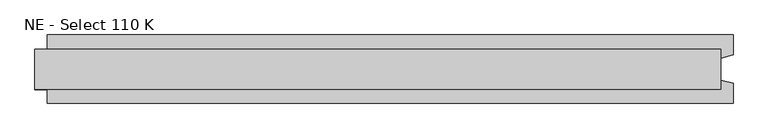
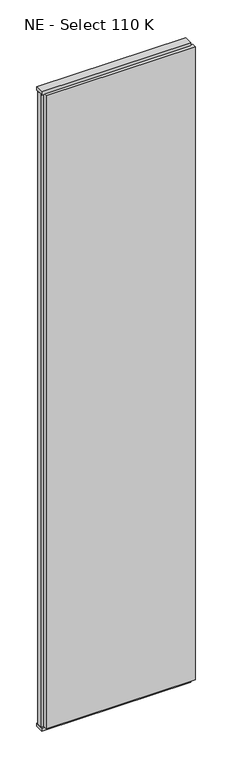
"""IFC4 building model written with IfcOpenShell, lengths in millimetres: plate geometry, NE - Select 110 K."""

from ifc_helpers import new_model, si_unit, frame, origin, origin_with_axes, place, context, project, spatial, polyline, outline, extrude, source, transform, mapped, element, save


def ne_select_110_k_2a667361(model_context):
    return source(origin(), model_context, "Body", "SweptSolid", [
        extrude(outline(polyline([(570.5, 55.0), (570.5, 22.9993165), (550.5, 17.6401049), (550.5, -17.6401049), (570.5, -22.9993165), (570.5, -55.0), (-530.5, -55.0), (-530.5, -22.9993165), (-550.5, -17.6401049), (-550.5, 17.6401049), (-530.5, 22.9993165), (-530.5, 55.0), (570.5, 55.0)])), frame((0.0, 0.0, 25.0), z_axis=(0.0, 0.0, 1.0), x_axis=(1.0, 0.0, 0.0)), (0.0, 0.0, 1.0), 4950.0),
        extrude(outline(polyline([(550.5, 32.0), (550.5, -32.0), (-550.5, -32.0), (-550.5, 32.0), (550.5, 32.0)])), origin_with_axes(), (0.0, 0.0, 1.0), 25.0),
        extrude(outline(polyline([(550.5, 32.0), (550.5, -32.0), (-550.5, -32.0), (-550.5, 32.0), (550.5, 32.0)])), frame((0.0, 0.0, 4975.0), z_axis=(0.0, 0.0, 1.0), x_axis=(1.0, 0.0, 0.0)), (0.0, 0.0, 1.0), 25.0),
    ])


if __name__ == "__main__":
    model = new_model("IFC4")
    model_context = context("Model", 3, world=origin())
    ifc_project = project(units=[si_unit("LENGTHUNIT", "METRE", prefix="MILLI")], contexts=[model_context])
    site = spatial("IfcSite", under=ifc_project)
    building = spatial("IfcBuilding", under=site)
    placement = place(None, origin())
    ne_select_110_k_shape = ne_select_110_k_2a667361(model_context)
    element("IfcPlate", 1, ObjectType="NE - Select 110 K", at=placement, inside=building, context=model_context, shape_type="MappedRepresentation", body=[
        mapped(ne_select_110_k_shape, transform((0.0, 0.0, 0.0), x_axis=(1.0, 0.0, 0.0), y_axis=(0.0, 1.0, 0.0), z_axis=(0.0, 0.0, 1.0))),
    ])
    save(model, "model.ifc")
